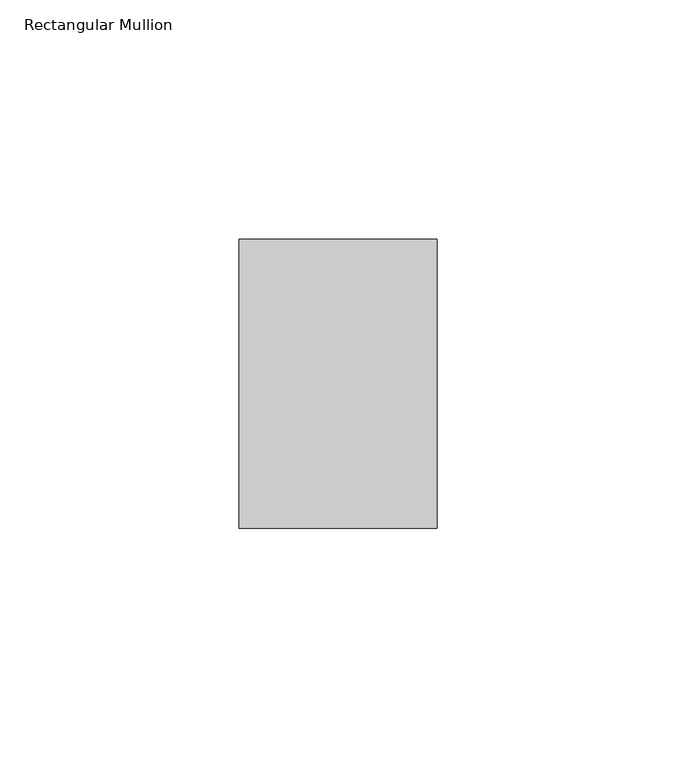
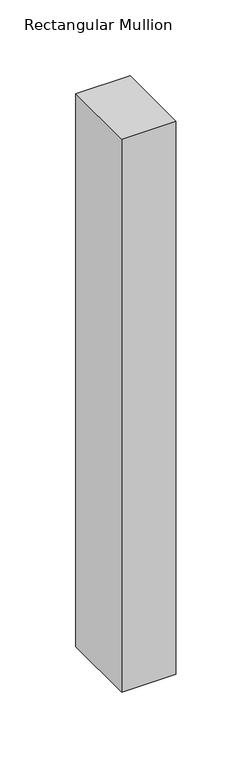
"""IFC4 building model written with IfcOpenShell, lengths in millimetres: member geometry, Rectangular Mullion."""

from ifc_helpers import new_model, si_unit, frame, origin, place, context, project, spatial, polyline, outline, extrude, source, transform, mapped, element, save


def rectangular_mullion_09ae5aaf(model_context):
    return source(origin(), model_context, "Body", "SweptSolid", [
        extrude(outline(polyline([(0.0, 50.8), (0.0, -9.525), (-41.275, -9.525), (-41.275, 50.8), (0.0, 50.8)])), frame((0.0, 0.0, -444.5), z_axis=(0.0, 0.0, 1.0), x_axis=(1.0, 0.0, 0.0)), (0.0, 0.0, 1.0), 444.5),
    ])


if __name__ == "__main__":
    model = new_model("IFC4")
    model_context = context("Model", 3, world=origin())
    ifc_project = project(units=[si_unit("LENGTHUNIT", "METRE", prefix="MILLI")], contexts=[model_context])
    site = spatial("IfcSite", under=ifc_project)
    building = spatial("IfcBuilding", under=site)
    placement = place(None, origin())
    rectangular_mullion_shape = rectangular_mullion_09ae5aaf(model_context)
    element("IfcMember", 1, ObjectType="Rectangular Mullion", at=placement, inside=building, context=model_context, shape_type="MappedRepresentation", body=[
        mapped(rectangular_mullion_shape, transform((0.0, 0.0, 0.0), x_axis=(1.0, 0.0, 0.0), y_axis=(0.0, 1.0, 0.0), z_axis=(0.0, 0.0, 1.0))),
    ])
    save(model, "model.ifc")
